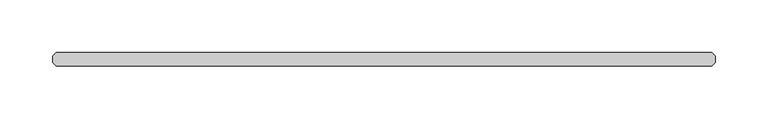
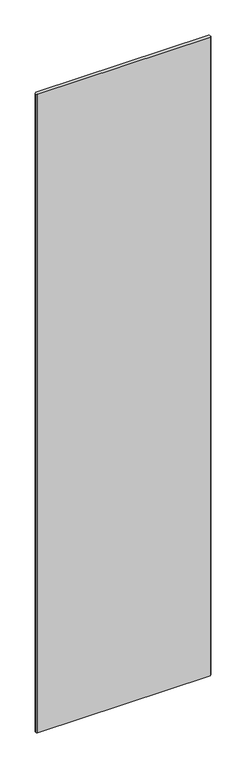
"""IFC4 building model written with IfcOpenShell, lengths in millimetres: plate geometry."""

from ifc_helpers import new_model, si_unit, origin, origin_with_axes, place, context, project, spatial, polyline, outline, extrude, source, transform, mapped, element, save


def plate_02bb9906(model_context):
    return source(origin(), model_context, "Body", "SweptSolid", [
        extrude(outline(polyline([(310.753125, 6.35), (313.928125, 3.175), (313.928125, -3.175), (310.753125, -6.35), (-310.753125, -6.35), (-313.928125, -3.175), (-313.928125, 3.175), (-310.753125, 6.35), (310.753125, 6.35)])), origin_with_axes(), (0.0, 0.0, 1.0), 2427.1914267),
    ])


if __name__ == "__main__":
    model = new_model("IFC4")
    model_context = context("Model", 3, world=origin())
    ifc_project = project(units=[si_unit("LENGTHUNIT", "METRE", prefix="MILLI")], contexts=[model_context])
    site = spatial("IfcSite", under=ifc_project)
    building = spatial("IfcBuilding", under=site)
    placement = place(None, origin())
    plate_shape = plate_02bb9906(model_context)
    element("IfcPlate", 1, at=placement, inside=building, context=model_context, shape_type="MappedRepresentation", body=[
        mapped(plate_shape, transform((0.0, 0.0, 0.0), x_axis=(1.0, 0.0, 0.0), y_axis=(0.0, 1.0, 0.0), z_axis=(0.0, 0.0, 1.0))),
    ])
    save(model, "model.ifc")
